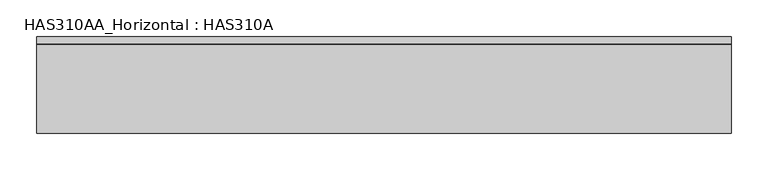
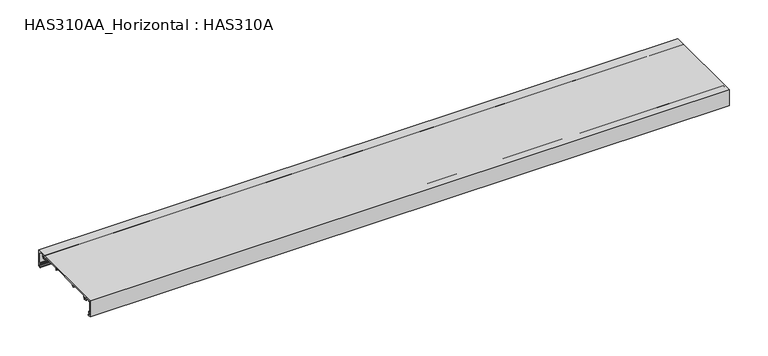
"""IFC4 building model written with IfcOpenShell, lengths in millimetres: beam geometry, HAS310AA_Horizontal : HAS310A."""

from ifc_helpers import new_model, si_unit, point, frame, frame_2d, origin, place, context, project, spatial, polyline, circle_curve, trimmed, segment, composite_curve, outline, extrude, source, transform, mapped, element, save


def has310aa_horizontal_has310a_d2a29413(model_context):
    return source(origin(), model_context, "Body", "SweptSolid", [
        extrude(outline(composite_curve([segment(polyline([(-66.0, 25.0418006), (66.0, 25.0418006), (66.0, 0.0), (61.755627, 0.0), (60.9067524, 0.6366559), (61.755627, 1.2733119), (64.7266881, 1.2733119), (64.7266881, 4.6688103), (63.0289389, 4.6688103)]), True, "CONTINUOUS"), segment(trimmed(circle_curve(frame_2d((63.0289389, 5.5176849)), 0.8488746), [point((63.0289389, 4.6688103))], [point((62.1800643, 5.5176849))], False, "CARTESIAN"), True, "CONTINUOUS"), segment(polyline([(62.1800643, 5.5176849), (62.1800643, 6.5787781), (63.0289389, 6.5787781), (63.0289389, 5.5176849), (64.7266881, 5.5176849), (64.7266881, 23.7684887), (63.0289389, 23.7684887), (63.0289389, 22.7073955), (62.1800643, 22.7073955), (62.1800643, 23.7684887), (56.4882156, 23.7684887)]), True, "CONTINUOUS"), segment(trimmed(circle_curve(frame_2d((56.4882156, 23.1026125)), 0.6658763), [point((56.4882156, 23.7684887))], [point((55.8274813, 23.0200207))], True, "CARTESIAN"), True, "CONTINUOUS"), segment(polyline([(55.8274813, 23.0200207), (56.0257235, 21.4340836), (55.105005, 19.5926467)]), True, "CONTINUOUS"), segment(trimmed(circle_curve(frame_2d((54.5383851, 19.8759566)), 0.6335003), [point((55.105005, 19.5926467))], [point((53.9237995, 20.029603))], False, "CARTESIAN"), True, "CONTINUOUS"), segment(polyline([(53.9237995, 20.029603), (54.1157556, 20.7974277), (54.5401929, 22.2829582), (52.9485531, 23.6093248), (51.3569132, 22.2829582), (51.7813505, 20.7974277), (51.9845073, 19.9848004)]), True, "CONTINUOUS"), segment(trimmed(circle_curve(frame_2d((51.3748398, 19.8323835)), 0.6284309), [point((51.9845073, 19.9848004))], [point((50.8127541, 19.5513407))], False, "CARTESIAN"), True, "CONTINUOUS"), segment(polyline([(50.8127541, 19.5513407), (49.8713826, 21.4340836), (50.0648302, 22.9816644)]), True, "CONTINUOUS"), segment(trimmed(circle_curve(frame_2d((49.3702357, 23.0684887)), 0.7), [point((50.0648302, 22.9816644))], [point((49.3702357, 23.7684887))], True, "CARTESIAN"), True, "CONTINUOUS"), segment(polyline([(49.3702357, 23.7684887), (22.4951768, 23.7684887), (21.4340836, 21.8585209), (22.4951768, 20.3729904), (20.9672026, 20.3729904), (19.8030317, 21.828204), (20.5488926, 23.0713055)]), True, "CONTINUOUS"), segment(trimmed(circle_curve(frame_2d((20.1541541, 23.3081485)), 0.4603402), [point((20.5488926, 23.0713055))], [point((20.1541541, 23.7684887))], True, "CARTESIAN"), True, "CONTINUOUS"), segment(polyline([(20.1541541, 23.7684887), (-20.1541541, 23.7684887)]), True, "CONTINUOUS"), segment(trimmed(circle_curve(frame_2d((-20.1541541, 23.3081485)), 0.4603402), [point((-20.1541541, 23.7684887))], [point((-20.5488926, 23.0713055))], True, "CARTESIAN"), True, "CONTINUOUS"), segment(polyline([(-20.5488926, 23.0713055), (-19.8030317, 21.828204), (-20.9672026, 20.3729904), (-22.4951768, 20.3729904), (-21.4340836, 21.8585209), (-22.4951768, 23.7684887), (-49.3702357, 23.7684887)]), True, "CONTINUOUS"), segment(trimmed(circle_curve(frame_2d((-49.3702357, 23.0684887)), 0.7), [point((-49.3702357, 23.7684887))], [point((-50.0648302, 22.9816644))], True, "CARTESIAN"), True, "CONTINUOUS"), segment(polyline([(-50.0648302, 22.9816644), (-49.8713826, 21.4340836), (-50.8127541, 19.5513407)]), True, "CONTINUOUS"), segment(trimmed(circle_curve(frame_2d((-51.3748398, 19.8323835)), 0.6284309), [point((-50.8127541, 19.5513407))], [point((-51.9845073, 19.9848004))], False, "CARTESIAN"), True, "CONTINUOUS"), segment(polyline([(-51.9845073, 19.9848004), (-51.7813505, 20.7974277), (-51.3569132, 22.2829582), (-52.9485531, 23.6093248), (-54.5401929, 22.2829582), (-54.1157556, 20.7974277), (-53.9237995, 20.029603)]), True, "CONTINUOUS"), segment(trimmed(circle_curve(frame_2d((-54.5383851, 19.8759566)), 0.6335003), [point((-53.9237995, 20.029603))], [point((-55.105005, 19.5926467))], False, "CARTESIAN"), True, "CONTINUOUS"), segment(polyline([(-55.105005, 19.5926467), (-56.0257235, 21.4340836), (-55.8274813, 23.0200207)]), True, "CONTINUOUS"), segment(trimmed(circle_curve(frame_2d((-56.4882156, 23.1026125)), 0.6658763), [point((-55.8274813, 23.0200207))], [point((-56.4882156, 23.7684887))], True, "CARTESIAN"), True, "CONTINUOUS"), segment(polyline([(-56.4882156, 23.7684887), (-62.1800643, 23.7684887), (-62.1800643, 22.7073955), (-63.0289389, 22.7073955), (-63.0289389, 23.7684887), (-64.7266881, 23.7684887), (-64.7266881, 5.5176849), (-63.0289389, 5.5176849), (-63.0289389, 6.5787781), (-62.1800643, 6.5787781), (-62.1800643, 5.5176849)]), True, "CONTINUOUS"), segment(trimmed(circle_curve(frame_2d((-63.0289389, 5.5176849)), 0.8488746), [point((-62.1800643, 5.5176849))], [point((-63.0289389, 4.6688103))], False, "CARTESIAN"), True, "CONTINUOUS"), segment(polyline([(-63.0289389, 4.6688103), (-64.7266881, 4.6688103), (-64.7266881, 1.2733119), (-61.755627, 1.2733119), (-60.9067524, 0.6366559), (-61.755627, 0.0), (-66.0, 0.0), (-66.0, 25.0418006)]), True, "CONTINUOUS")], self_intersect=False)), frame((-474.9581994, 0.0, 0.0), z_axis=(1.0, 0.0, 0.0), x_axis=(0.0, 1.0, 0.0)), (0.0, 0.0, 1.0), 949.9163987),
    ])


if __name__ == "__main__":
    model = new_model("IFC4")
    model_context = context("Model", 3, world=origin())
    ifc_project = project(units=[si_unit("LENGTHUNIT", "METRE", prefix="MILLI")], contexts=[model_context])
    site = spatial("IfcSite", under=ifc_project)
    building = spatial("IfcBuilding", under=site)
    placement = place(None, origin())
    has310aa_horizontal_has310a_shape = has310aa_horizontal_has310a_d2a29413(model_context)
    element("IfcBeam", 1, ObjectType="HAS310AA_Horizontal : HAS310A", at=placement, inside=building, context=model_context, shape_type="MappedRepresentation", body=[
        mapped(has310aa_horizontal_has310a_shape, transform((0.0, 0.0, 0.0), x_axis=(1.0, 0.0, 0.0), y_axis=(0.0, 1.0, 0.0), z_axis=(0.0, 0.0, 1.0))),
    ])
    save(model, "model.ifc")
